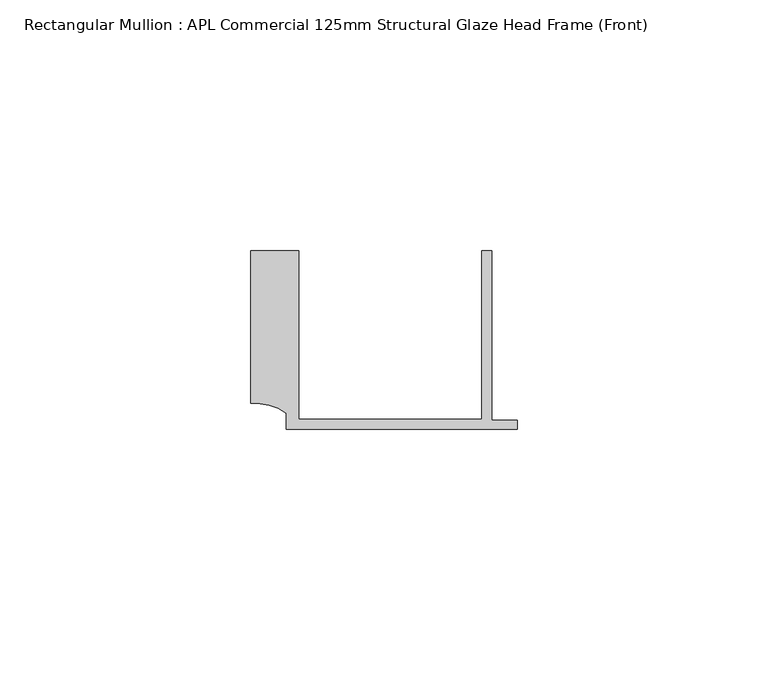
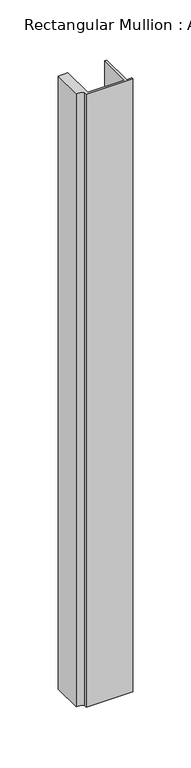
"""IFC4 building model written with IfcOpenShell, lengths in millimetres: member geometry, Rectangular Mullion : APL Commercial 125mm Structural Glaze Head Frame (Front)."""

from ifc_helpers import new_model, si_unit, point, frame, frame_2d, origin, place, context, project, spatial, polyline, circle_curve, trimmed, segment, composite_curve, outline, extrude, source, transform, mapped, element, save


def rectangular_mullion_apl_commercial_125mm_structural_glaze_e23df680(model_context):
    return source(origin(), model_context, "Body", "SweptSolid", [
        extrude(outline(composite_curve([segment(polyline([(-52.9999542, 15.0), (-43.5000151, 15.0), (-43.5000151, -18.5002486), (-7.0, -18.5002486), (-7.0, 15.0), (-5.0, 15.0), (-5.0, -18.7002486), (0.0, -18.7002486), (0.0, -20.5002486), (-45.9999994, -20.5002486), (-45.9999994, -17.3126154)]), True, "CONTINUOUS"), segment(trimmed(circle_curve(frame_2d((-52.109817, -25.7982641)), 10.4563907), [point((-45.9999994, -17.3126154))], [point((-52.9999542, -15.3798304))], True, "CARTESIAN"), True, "CONTINUOUS"), segment(polyline([(-52.9999542, -15.3798304), (-52.9999542, 15.0)]), True, "CONTINUOUS")], self_intersect=False)), frame((0.0, 0.0, -641.1423736), z_axis=(0.0, 0.0, 1.0), x_axis=(1.0, 0.0, 0.0)), (0.0, 0.0, 1.0), 641.1423736),
    ])


if __name__ == "__main__":
    model = new_model("IFC4")
    model_context = context("Model", 3, world=origin())
    ifc_project = project(units=[si_unit("LENGTHUNIT", "METRE", prefix="MILLI")], contexts=[model_context])
    site = spatial("IfcSite", under=ifc_project)
    building = spatial("IfcBuilding", under=site)
    placement = place(None, origin())
    rectangular_mullion_apl_commercial_125mm_structural_glaze_shape = rectangular_mullion_apl_commercial_125mm_structural_glaze_e23df680(model_context)
    element("IfcMember", 1, ObjectType="Rectangular Mullion : APL Commercial 125mm Structural Glaze Head Frame (Front)", at=placement, inside=building, context=model_context, shape_type="MappedRepresentation", body=[
        mapped(rectangular_mullion_apl_commercial_125mm_structural_glaze_shape, transform((0.0, 0.0, 0.0), x_axis=(1.0, 0.0, 0.0), y_axis=(0.0, 1.0, 0.0), z_axis=(0.0, 0.0, 1.0))),
    ])
    save(model, "model.ifc")
